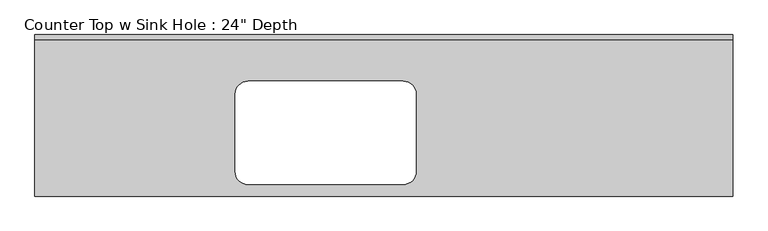
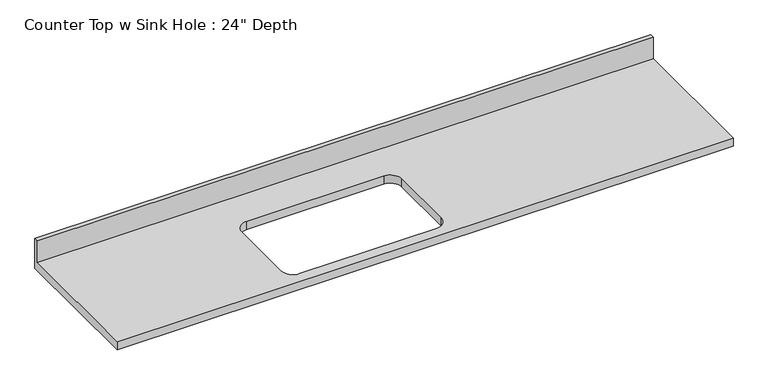
"""IFC4 building model written with IfcOpenShell, lengths in millimetres: furniture geometry."""

from ifc_helpers import new_model, si_unit, frame, origin, place, context, project, spatial, polyline, circle_curve, source, transform, mapped, element, save
from ifc_brep_helpers import plane_surface, revolved_surface, advanced_brep


def furniture_b4bc6200(model_context):
    return source(origin(), model_context, "Body", "AdvancedBrep", [
        advanced_brep(
        [(-1200.4622951, -635.0, 914.4), (1542.7377049, -635.0, 914.4), (1542.7377049, -19.05, 914.4), (-1200.4622951, -19.05, 914.4), (-362.2622951, -182.5625, 914.4), (247.3377049, -182.5625, 914.4), (298.1377049, -233.3625, 914.4), (298.1377049, -538.1625, 914.4), (247.3377049, -588.9625, 914.4), (-362.2622951, -588.9625, 914.4), (-413.0622951, -538.1625, 914.4), (-413.0622951, -233.3625, 914.4), (1542.7377049, 0.0, 876.3), (1542.7377049, -635.0, 876.3), (-1200.4622951, -635.0, 876.3), (-1200.4622951, 0.0, 876.3), (247.3377049, -182.5625, 876.3), (-362.2622951, -182.5625, 876.3), (-413.0622951, -233.3625, 876.3), (-413.0622951, -538.1625, 876.3), (-362.2622951, -588.9625, 876.3), (247.3377049, -588.9625, 876.3), (298.1377049, -538.1625, 876.3), (298.1377049, -233.3625, 876.3), (-1200.4622951, 0.0, 1016.0), (1542.7377049, 0.0, 1016.0), (-1200.4622951, -19.05, 1016.0), (1542.7377049, -19.05, 1016.0)],
        [
            (0, 1),
            (1, 2),
            (2, 3),
            (3, 0),
            (4, 5),
            (5, 6, circle_curve(frame((247.3377049, -233.3625, 914.4), z_axis=(0.0, 0.0, -1.0), x_axis=(1.0, 0.0, 0.0)), 50.8)),
            (6, 7),
            (7, 8, circle_curve(frame((247.3377049, -538.1625, 914.4), z_axis=(0.0, 0.0, -1.0), x_axis=(1.0, 0.0, 0.0)), 50.8)),
            (8, 9),
            (9, 10, circle_curve(frame((-362.2622951, -538.1625, 914.4), z_axis=(0.0, 0.0, -1.0), x_axis=(1.0, 0.0, 0.0)), 50.8)),
            (10, 11),
            (11, 4, circle_curve(frame((-362.2622951, -233.3625, 914.4), z_axis=(0.0, 0.0, -1.0), x_axis=(1.0, 0.0, 0.0)), 50.8)),
            (12, 13),
            (13, 14),
            (14, 15),
            (15, 12),
            (16, 17),
            (17, 18, circle_curve(frame((-362.2622951, -233.3625, 876.3), z_axis=(0.0, 0.0, 1.0), x_axis=(1.0, 0.0, 0.0)), 50.8)),
            (18, 19),
            (19, 20, circle_curve(frame((-362.2622951, -538.1625, 876.3), z_axis=(0.0, 0.0, 1.0), x_axis=(1.0, 0.0, 0.0)), 50.8)),
            (20, 21),
            (21, 22, circle_curve(frame((247.3377049, -538.1625, 876.3), z_axis=(0.0, 0.0, 1.0), x_axis=(1.0, 0.0, 0.0)), 50.8)),
            (22, 23),
            (23, 16, circle_curve(frame((247.3377049, -233.3625, 876.3), z_axis=(0.0, 0.0, 1.0), x_axis=(1.0, 0.0, 0.0)), 50.8)),
            (15, 24),
            (24, 25),
            (25, 12),
            (14, 0),
            (3, 26),
            (26, 24),
            (13, 1),
            (25, 27),
            (27, 2),
            (26, 27),
            (4, 17),
            (16, 5),
            (11, 18),
            (10, 19),
            (9, 20),
            (8, 21),
            (7, 22),
            (6, 23),
        ],
        [
            plane_surface(frame((-1200.4622951, 0.0, 914.4), z_axis=(0.0, 0.0, 1.0), x_axis=(-1.0, 0.0, 0.0))),
            plane_surface(frame((-1200.4622951, 0.0, 876.3), z_axis=(0.0, 0.0, -1.0), x_axis=(1.0, 0.0, 0.0))),
            plane_surface(frame((1542.7377049, 0.0, 914.4), z_axis=(0.0, 1.0, 0.0), x_axis=(0.0, 0.0, -1.0))),
            plane_surface(frame((-1200.4622951, 0.0, 914.4), z_axis=(-1.0, 0.0, 0.0), x_axis=(0.0, 0.0, -1.0))),
            plane_surface(frame((-1200.4622951, -635.0, 914.4), z_axis=(0.0, -1.0, 0.0), x_axis=(0.0, 0.0, -1.0))),
            plane_surface(frame((1542.7377049, -635.0, 914.4), z_axis=(1.0, 0.0, 0.0), x_axis=(0.0, 0.0, -1.0))),
            plane_surface(frame((-1200.4622951, 0.0, 1016.0), z_axis=(0.0, 0.0, 1.0), x_axis=(0.0, -1.0, 0.0))),
            plane_surface(frame((-1200.4622951, -19.05, 1016.0), z_axis=(0.0, -1.0, 0.0), x_axis=(0.0, 0.0, -1.0))),
            plane_surface(frame((247.3377049, -182.5625, 914.4), z_axis=(0.0, -1.0, 0.0), x_axis=(0.0, 0.0, -1.0))),
            revolved_surface(polyline([(-311.4622951, -233.3625, 914.4), (-311.4622951, -233.3625, 876.3)]), (-362.2622951, -233.3625, 876.3), (0.0, 0.0, 1.0)),
            plane_surface(frame((-413.0622951, -233.3625, 914.4), z_axis=(1.0, 0.0, 0.0), x_axis=(0.0, 0.0, -1.0))),
            revolved_surface(polyline([(-311.4622951, -538.1625, 914.4), (-311.4622951, -538.1625, 876.3)]), (-362.2622951, -538.1625, 876.3), (0.0, 0.0, 1.0)),
            plane_surface(frame((-362.2622951, -588.9625, 914.4), z_axis=(0.0, 1.0, 0.0), x_axis=(0.0, 0.0, -1.0))),
            revolved_surface(polyline([(298.1377049, -538.1625, 914.4), (298.1377049, -538.1625, 876.3)]), (247.3377049, -538.1625, 876.3), (0.0, 0.0, 1.0)),
            plane_surface(frame((298.1377049, -538.1625, 914.4), z_axis=(-1.0, 0.0, 0.0), x_axis=(0.0, 0.0, -1.0))),
            revolved_surface(polyline([(298.1377049, -233.3625, 914.4), (298.1377049, -233.3625, 876.3)]), (247.3377049, -233.3625, 876.3), (0.0, 0.0, 1.0)),
        ],
        [
            (0, [[1, 2, 3, 4], [5, 6, 7, 8, 9, 10, 11, 12]]),
            (1, [[13, 14, 15, 16], [17, 18, 19, 20, 21, 22, 23, 24]]),
            (2, [[-16, 25, 26, 27]]),
            (3, [[-15, 28, -4, 29, 30, -25]]),
            (4, [[-1, -28, -14, 31]]),
            (5, [[-13, -27, 32, 33, -2, -31]]),
            (6, [[-30, 34, -32, -26]]),
            (7, [[-34, -29, -3, -33]]),
            (8, [[35, -17, 36, -5]]),
            (9, [[-35, -12, 37, -18]]),
            (10, [[-37, -11, 38, -19]]),
            (11, [[-38, -10, 39, -20]]),
            (12, [[-39, -9, 40, -21]]),
            (13, [[-40, -8, 41, -22]]),
            (14, [[-41, -7, 42, -23]]),
            (15, [[-36, -24, -42, -6]]),
        ],
    ),
    ])


if __name__ == "__main__":
    model = new_model("IFC4")
    model_context = context("Model", 3, world=origin())
    ifc_project = project(units=[si_unit("LENGTHUNIT", "METRE", prefix="MILLI")], contexts=[model_context])
    site = spatial("IfcSite", under=ifc_project)
    building = spatial("IfcBuilding", under=site)
    placement = place(None, origin())
    furniture_shape = furniture_b4bc6200(model_context)
    element("IfcFurniture", 1, ObjectType="Counter Top w Sink Hole : 24\" Depth", at=placement, inside=building, context=model_context, shape_type="MappedRepresentation", body=[
        mapped(furniture_shape, transform((0.0, 0.0, 0.0), x_axis=(1.0, 0.0, 0.0), y_axis=(0.0, 1.0, 0.0), z_axis=(0.0, 0.0, 1.0))),
    ])
    save(model, "model.ifc")
